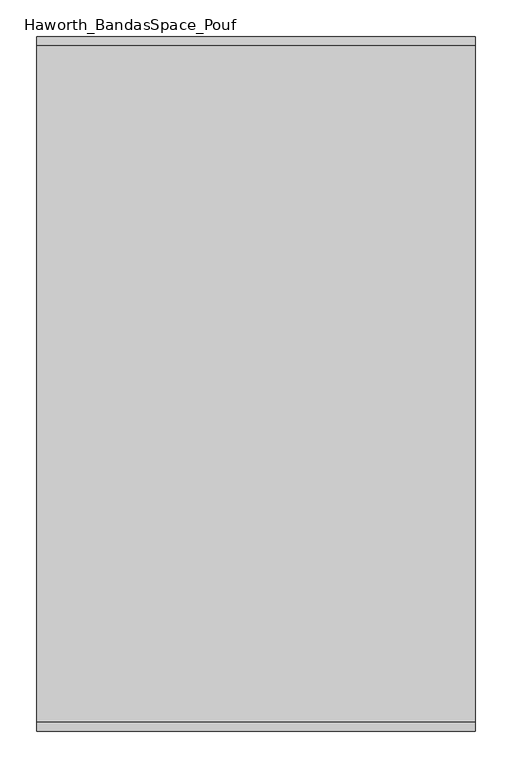
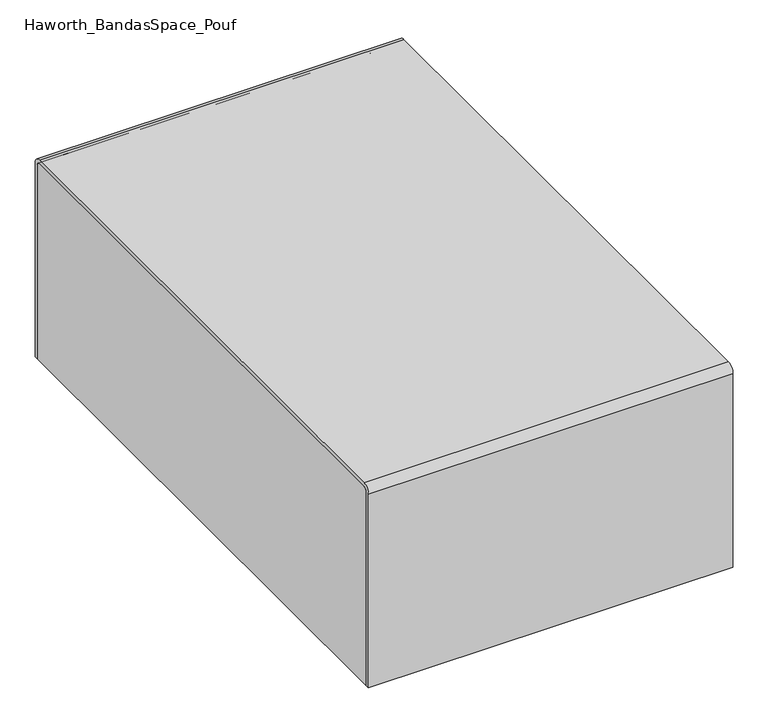
"""IFC4 building model written with IfcOpenShell, lengths in millimetres: furniture geometry, Haworth_BandasSpace_Pouf."""

from ifc_helpers import new_model, si_unit, point, frame, frame_2d, origin, place, context, project, spatial, polyline, circle_curve, trimmed, segment, composite_curve, outline, extrude, source, transform, mapped, element, save


def haworth_bandasspace_pouf_fdd0321d(model_context):
    return source(origin(), model_context, "Body", "SweptSolid", [
        extrude(outline(composite_curve([segment(trimmed(circle_curve(frame_2d((-659.8046875, 336.55)), 12.7), [point((-672.5046875, 336.55))], [point((-659.8046875, 349.25))], False, "CARTESIAN"), True, "CONTINUOUS"), segment(polyline([(-659.8046875, 349.25), (264.715625, 349.25)]), True, "CONTINUOUS"), segment(trimmed(circle_curve(frame_2d((264.715625, 336.55)), 12.7), [point((264.715625, 349.25))], [point((277.415625, 336.55))], False, "CARTESIAN"), True, "CONTINUOUS"), segment(polyline([(277.415625, 336.55), (277.415625, 0.0), (271.065625, 0.0), (271.065625, 336.55)]), True, "CONTINUOUS"), segment(trimmed(circle_curve(frame_2d((264.715625, 336.55)), 6.35), [point((271.065625, 336.55))], [point((264.715625, 342.9))], True, "CARTESIAN"), True, "CONTINUOUS"), segment(polyline([(264.715625, 342.9), (-659.8046875, 342.9)]), True, "CONTINUOUS"), segment(trimmed(circle_curve(frame_2d((-659.8046875, 336.55)), 6.35), [point((-659.8046875, 342.9))], [point((-666.1546875, 336.55))], True, "CARTESIAN"), True, "CONTINUOUS"), segment(polyline([(-666.1546875, 336.55), (-666.1546875, 0.0), (-672.5046875, 0.0), (-672.5046875, 336.55)]), True, "CONTINUOUS")], self_intersect=False)), frame((-197.4453125, 0.0, 0.0), z_axis=(1.0, 0.0, 0.0), x_axis=(0.0, 1.0, 0.0)), (0.0, 0.0, 1.0), 599.4796875),
        extrude(outline(composite_curve([segment(polyline([(-666.1546875, 0.0), (-666.1546875, 336.55)]), True, "CONTINUOUS"), segment(trimmed(circle_curve(frame_2d((-659.8046875, 336.55)), 6.35), [point((-666.1546875, 336.55))], [point((-659.8046875, 342.9))], False, "CARTESIAN"), True, "CONTINUOUS"), segment(polyline([(-659.8046875, 342.9), (264.715625, 342.9)]), True, "CONTINUOUS"), segment(trimmed(circle_curve(frame_2d((264.715625, 336.55)), 6.35), [point((264.715625, 342.9))], [point((271.065625, 336.55))], False, "CARTESIAN"), True, "CONTINUOUS"), segment(polyline([(271.065625, 336.55), (271.065625, 0.0), (-666.1546875, 0.0)]), True, "CONTINUOUS")], self_intersect=False)), frame((-197.4453125, 0.0, 0.0), z_axis=(1.0, 0.0, 0.0), x_axis=(0.0, 1.0, 0.0)), (0.0, 0.0, 1.0), 599.4796875),
    ])


if __name__ == "__main__":
    model = new_model("IFC4")
    model_context = context("Model", 3, world=origin())
    ifc_project = project(units=[si_unit("LENGTHUNIT", "METRE", prefix="MILLI")], contexts=[model_context])
    site = spatial("IfcSite", under=ifc_project)
    building = spatial("IfcBuilding", under=site)
    placement = place(None, origin())
    haworth_bandasspace_pouf_shape = haworth_bandasspace_pouf_fdd0321d(model_context)
    element("IfcFurniture", 1, ObjectType="Haworth_BandasSpace_Pouf", at=placement, inside=building, context=model_context, shape_type="MappedRepresentation", body=[
        mapped(haworth_bandasspace_pouf_shape, transform((0.0, 0.0, 0.0), x_axis=(1.0, 0.0, 0.0), y_axis=(0.0, 1.0, 0.0), z_axis=(0.0, 0.0, 1.0))),
    ])
    save(model, "model.ifc")
